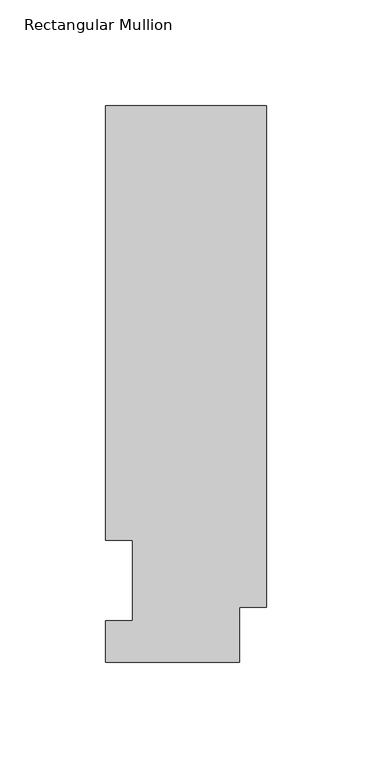
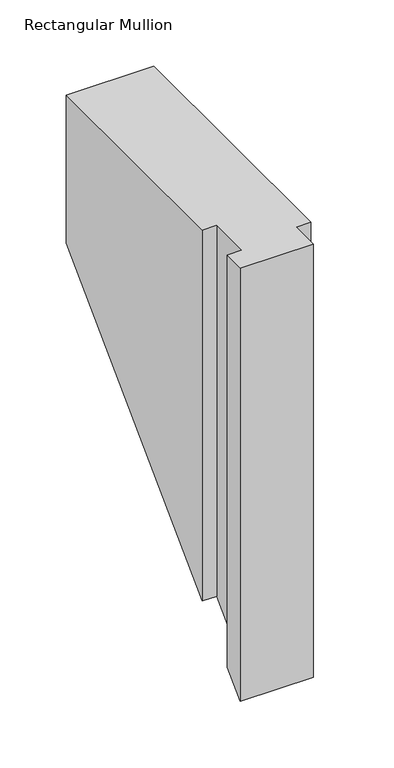
"""IFC4 building model written with IfcOpenShell, lengths in millimetres: member geometry, Rectangular Mullion."""

from ifc_helpers import new_model, si_unit, origin, place, context, project, spatial, faceted_brep, source, transform, mapped, element, save


def rectangular_mullion_766d13c8(model_context):
    return source(origin(), model_context, "Body", "Brep", [
        faceted_brep([(0.0, 263.2336938, 0.0), (-76.2, 263.2336938, 0.0), (-76.2, 57.6460938, 0.0), (-63.5, 57.6460937, 0.0), (-63.5, 19.5460938, 0.0), (-76.2, 19.5460938, 0.0), (-76.2, 0.0134938, 0.0), (-12.7, 0.0134938, 0.0), (-12.7, 25.8955957, 0.0), (0.0, 25.8955957, 0.0), (0.0, 263.2336938, -136.8163062), (-76.2, 263.2336938, -136.8163062), (-76.2, 57.6460937, -342.4039062), (-63.5, 57.6460937, -342.4039062), (-63.5, 19.5460938, -380.5039062), (-76.2, 19.5460938, -380.5039062), (-76.2, 0.0134938, -400.0365062), (-12.7, 0.0134938, -400.0365062), (-12.7, 25.8955957, -374.1544043), (0.0, 25.8955957, -374.1544043)], [[[0, 1, 2, 3, 4, 5, 6, 7, 8, 9]], [[1, 0, 10, 11]], [[2, 1, 11, 12]], [[3, 2, 12, 13]], [[4, 3, 13, 14]], [[5, 4, 14, 15]], [[6, 5, 15, 16]], [[7, 6, 16, 17]], [[8, 7, 17, 18]], [[9, 8, 18, 19]], [[0, 9, 19, 10]], [[10, 19, 18, 17, 16, 15, 14, 13, 12, 11]]]),
    ])


if __name__ == "__main__":
    model = new_model("IFC4")
    model_context = context("Model", 3, world=origin())
    ifc_project = project(units=[si_unit("LENGTHUNIT", "METRE", prefix="MILLI")], contexts=[model_context])
    site = spatial("IfcSite", under=ifc_project)
    building = spatial("IfcBuilding", under=site)
    placement = place(None, origin())
    rectangular_mullion_shape = rectangular_mullion_766d13c8(model_context)
    element("IfcMember", 1, ObjectType="Rectangular Mullion", at=placement, inside=building, context=model_context, shape_type="MappedRepresentation", body=[
        mapped(rectangular_mullion_shape, transform((0.0, 0.0, 0.0), x_axis=(1.0, 0.0, 0.0), y_axis=(0.0, 1.0, 0.0), z_axis=(0.0, 0.0, 1.0))),
    ])
    save(model, "model.ifc")
